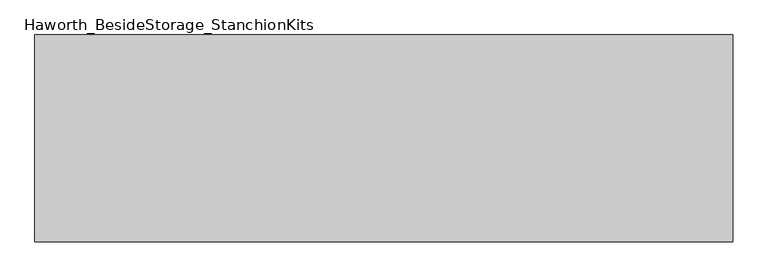
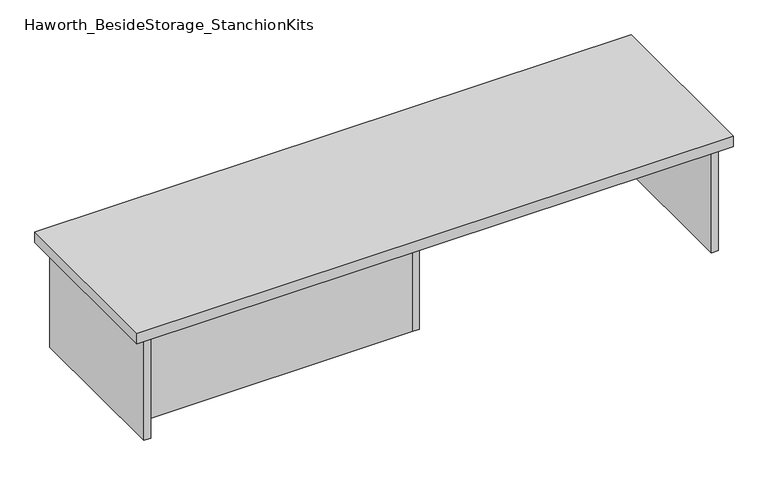
"""IFC4 building model written with IfcOpenShell, lengths in millimetres: furniture geometry, Haworth_BesideStorage_StanchionKits."""

from ifc_helpers import new_model, si_unit, frame, origin, place, context, project, spatial, polyline, outline, extrude, source, transform, mapped, element, save


def haworth_besidestorage_stanchionkits_662476f0(model_context):
    return source(origin(), model_context, "Body", "SweptSolid", [
        extrude(outline(polyline([(847.725, 0.0), (847.725, -406.4), (-523.875, -406.4), (-523.875, 0.0), (847.725, 0.0)])), frame((0.0, 0.0, 685.8), z_axis=(0.0, 0.0, 1.0), x_axis=(1.0, 0.0, 0.0)), (0.0, 0.0, 1.0), 25.4),
        extrude(outline(polyline([(169.8625, -76.2), (806.45, -76.2), (806.45, -92.075), (169.8625, -92.075), (169.8625, -76.2)])), frame((0.0, 0.0, 431.8), z_axis=(0.0, 0.0, 1.0), x_axis=(1.0, 0.0, 0.0)), (0.0, 0.0, 1.0), 254.0),
        extrude(outline(polyline([(153.9875, -314.325), (153.9875, -330.2), (-482.6, -330.2), (-482.6, -314.325), (153.9875, -314.325)])), frame((0.0, 0.0, 431.8), z_axis=(0.0, 0.0, 1.0), x_axis=(1.0, 0.0, 0.0)), (0.0, 0.0, 1.0), 254.0),
        extrude(outline(polyline([(169.8625, -330.2), (153.9875, -330.2), (153.9875, -76.2), (169.8625, -76.2), (169.8625, -330.2)])), frame((0.0, 0.0, 431.8), z_axis=(0.0, 0.0, 1.0), x_axis=(1.0, 0.0, 0.0)), (0.0, 0.0, 1.0), 254.0),
        extrude(outline(polyline([(822.325, -390.525), (806.45, -390.525), (806.45, -15.875), (822.325, -15.875), (822.325, -390.525)])), frame((0.0, 0.0, 431.8), z_axis=(0.0, 0.0, 1.0), x_axis=(1.0, 0.0, 0.0)), (0.0, 0.0, 1.0), 254.0),
        extrude(outline(polyline([(-482.6, -390.525), (-498.475, -390.525), (-498.475, -15.875), (-482.6, -15.875), (-482.6, -390.525)])), frame((0.0, 0.0, 431.8), z_axis=(0.0, 0.0, 1.0), x_axis=(1.0, 0.0, 0.0)), (0.0, 0.0, 1.0), 254.0),
    ])


if __name__ == "__main__":
    model = new_model("IFC4")
    model_context = context("Model", 3, world=origin())
    ifc_project = project(units=[si_unit("LENGTHUNIT", "METRE", prefix="MILLI")], contexts=[model_context])
    site = spatial("IfcSite", under=ifc_project)
    building = spatial("IfcBuilding", under=site)
    placement = place(None, origin())
    haworth_besidestorage_stanchionkits_shape = haworth_besidestorage_stanchionkits_662476f0(model_context)
    element("IfcFurniture", 1, ObjectType="Haworth_BesideStorage_StanchionKits", at=placement, inside=building, context=model_context, shape_type="MappedRepresentation", body=[
        mapped(haworth_besidestorage_stanchionkits_shape, transform((0.0, 0.0, 0.0), x_axis=(1.0, 0.0, 0.0), y_axis=(0.0, 1.0, 0.0), z_axis=(0.0, 0.0, 1.0))),
    ])
    save(model, "model.ifc")
